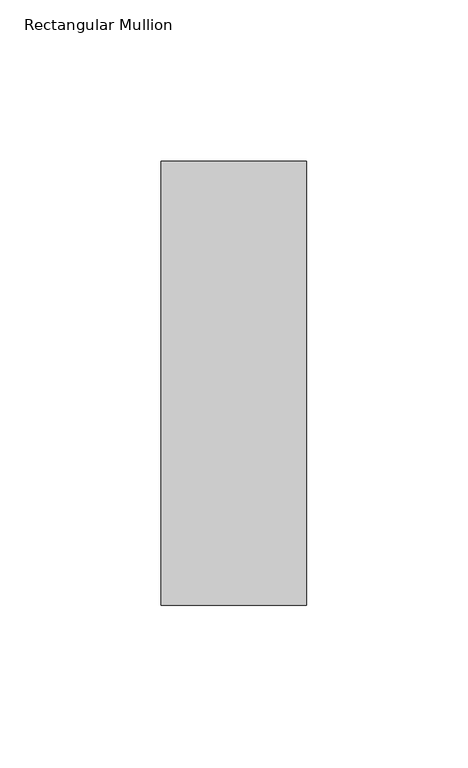
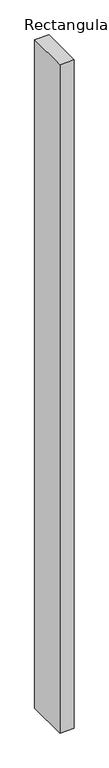
"""IFC4 building model written with IfcOpenShell, lengths in millimetres: member geometry, Rectangular Mullion."""

from ifc_helpers import new_model, si_unit, frame, origin, place, context, project, spatial, polyline, outline, extrude, source, transform, mapped, element, save


def rectangular_mullion_1df91f85(model_context):
    return source(origin(), model_context, "Body", "SweptSolid", [
        extrude(outline(polyline([(-45.0, 84.19375), (0.0, 84.19375), (0.0, -53.19375), (-45.0, -53.19375), (-45.0, 84.19375)])), frame((0.0, 0.0, -2223.5642788), z_axis=(0.0, 0.0, 1.0), x_axis=(1.0, 0.0, 0.0)), (0.0, 0.0, 1.0), 2223.5642788),
    ])


if __name__ == "__main__":
    model = new_model("IFC4")
    model_context = context("Model", 3, world=origin())
    ifc_project = project(units=[si_unit("LENGTHUNIT", "METRE", prefix="MILLI")], contexts=[model_context])
    site = spatial("IfcSite", under=ifc_project)
    building = spatial("IfcBuilding", under=site)
    placement = place(None, origin())
    rectangular_mullion_shape = rectangular_mullion_1df91f85(model_context)
    element("IfcMember", 1, ObjectType="Rectangular Mullion", at=placement, inside=building, context=model_context, shape_type="MappedRepresentation", body=[
        mapped(rectangular_mullion_shape, transform((0.0, 0.0, 0.0), x_axis=(1.0, 0.0, 0.0), y_axis=(0.0, 1.0, 0.0), z_axis=(0.0, 0.0, 1.0))),
    ])
    save(model, "model.ifc")
